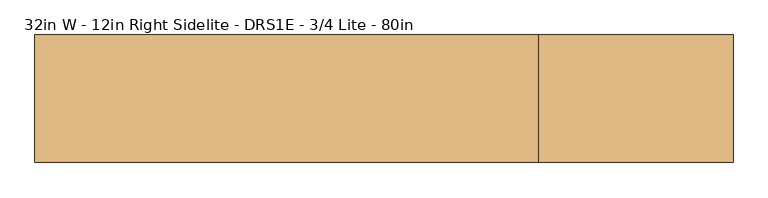
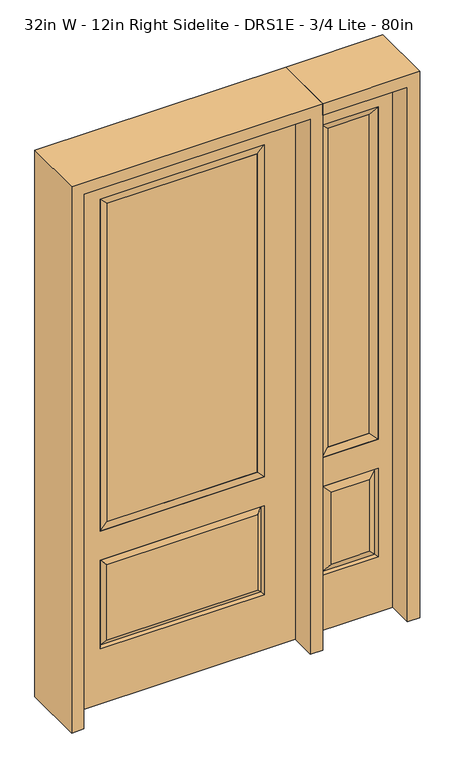
"""IFC4 building model written with IfcOpenShell, lengths in millimetres: door geometry, 32in W - 12in Right Sidelite - DRS1E - 3/4 Lite - 80in."""

from ifc_helpers import new_model, si_unit, frame, origin, place, context, project, spatial, polyline, outline, extrude, faceted_brep, source, transform, mapped, element, save


def door_32in_w_12in_right_sidelite_drs1e_3_4_lite_80in_9de205ea(model_context):
    return source(origin(), model_context, "Body", "SolidModel", [
        faceted_brep([(450.85, -22.225, 0.0), (755.65, -22.225, 0.0), (755.65, -22.225, 2032.0), (450.85, -22.225, 2032.0), (703.58, -22.225, 1919.224), (703.58, -22.225, 657.098), (502.92, -22.225, 657.098), (502.92, -22.225, 1919.224), (703.58, -22.225, 209.55), (502.92, -22.225, 209.55), (502.92, -22.225, 546.1), (703.58, -22.225, 546.1), (534.6351001, -22.225, 241.2651001), (671.8648999, -22.225, 241.2651001), (671.8648999, -22.225, 514.3848999), (534.6351001, -22.225, 514.3848999), (450.85, 22.225, 0.0), (450.85, 22.225, 2032.0), (755.65, 22.225, 2032.0), (755.65, 22.225, 0.0), (703.58, 22.225, 1919.224), (502.92, 22.225, 1919.224), (502.92, 22.225, 657.098), (703.58, 22.225, 657.098), (502.92, 22.225, 209.55), (703.58, 22.225, 209.55), (703.58, 22.225, 546.1), (502.92, 22.225, 546.1), (671.8648999, 22.225, 241.2651001), (534.6351001, 22.225, 241.2651001), (534.6351001, 22.225, 514.3848999), (671.8648999, 22.225, 514.3848999), (696.4711499, 12.7912373, 216.6588501), (510.0288501, 12.7912373, 216.6588501), (510.0288501, 12.7912373, 538.9911499), (696.4711499, 12.7912373, 538.9911499), (510.0288501, -12.7912373, 216.6588501), (696.4711499, -12.7912373, 216.6588501), (510.0288501, -12.7912373, 538.9911499), (696.4711499, -12.7912373, 538.9911499)], [[[0, 1, 2, 3], [4, 5, 6, 7], [8, 9, 10, 11]], [[12, 13, 14, 15]], [[16, 17, 18, 19], [20, 21, 22, 23], [24, 25, 26, 27]], [[28, 29, 30, 31]], [[1, 0, 16, 19]], [[2, 1, 19, 18]], [[3, 2, 18, 17]], [[0, 3, 17, 16]], [[5, 4, 20, 23]], [[6, 5, 23, 22]], [[7, 6, 22, 21]], [[4, 7, 21, 20]], [[32, 33, 29, 28]], [[33, 32, 25, 24]], [[29, 33, 34, 30]], [[33, 24, 27, 34]], [[30, 34, 35, 31]], [[34, 27, 26, 35]], [[32, 28, 31, 35]], [[25, 32, 35, 26]], [[12, 36, 37, 13]], [[37, 36, 9, 8]], [[36, 12, 15, 38]], [[9, 36, 38, 10]], [[38, 15, 14, 39]], [[10, 38, 39, 11]], [[13, 37, 39, 14]], [[37, 8, 11, 39]]]),
        faceted_brep([(502.92, 22.225, 1919.224), (502.92, -22.225, 1919.224), (703.58, -22.225, 1919.224), (703.58, 22.225, 1919.224), (528.32, 12.7, 1893.824), (678.18, 12.7, 1893.824), (528.32, -12.7, 1893.824), (678.18, -12.7, 1893.824), (703.58, -22.225, 657.098), (703.58, 22.225, 657.098), (678.18, 12.7, 682.498), (678.18, -12.7, 682.498), (502.92, -22.225, 657.098), (502.92, 22.225, 657.098), (528.32, 12.7, 682.498), (528.32, -12.7, 682.498)], [[[0, 1, 2, 3]], [[4, 0, 3, 5]], [[6, 4, 5, 7]], [[1, 6, 7, 2]], [[3, 2, 8, 9]], [[5, 3, 9, 10]], [[7, 5, 10, 11]], [[2, 7, 11, 8]], [[9, 8, 12, 13]], [[10, 9, 13, 14]], [[11, 10, 14, 15]], [[8, 11, 15, 12]], [[13, 12, 1, 0]], [[14, 13, 0, 4]], [[15, 14, 4, 6]], [[12, 15, 6, 1]]]),
        extrude(outline(polyline([(678.18, -12.7), (528.32, -12.7), (528.32, 12.7), (678.18, 12.7), (678.18, -12.7)])), frame((0.0, 0.0, 682.498), z_axis=(0.0, 0.0, 1.0), x_axis=(1.0, 0.0, 0.0)), (0.0, 0.0, 1.0), 1211.326),
        faceted_brep([(-288.1661499, -12.7912373, 216.6588501), (288.1661499, -12.7912373, 216.6588501), (270.66875, -22.225, 234.15625), (-270.66875, -22.225, 234.15625), (-295.275, -22.225, 209.55), (295.275, -22.225, 209.55), (-288.1661499, -12.7912373, 538.9911499), (-295.275, -22.225, 546.1), (270.66875, -22.225, 521.49375), (-270.66875, -22.225, 521.49375), (406.4, -22.225, 2032.0), (-406.4, -22.225, 2032.0), (-406.4, -22.225, 0.0), (406.4, -22.225, 0.0), (295.275, -22.225, 546.1), (295.275, -22.225, 1917.7), (295.275, -22.225, 657.098), (-295.275, -22.225, 657.098), (-295.275, -22.225, 1917.7), (288.1661499, -12.7912373, 538.9911499), (-406.4, 22.225, 2032.0), (-406.4, 22.225, 0.0), (406.4, 22.225, 0.0), (406.4, 22.225, 2032.0), (295.275, 22.225, 1917.7), (295.275, 22.225, 657.098), (-295.275, 22.225, 657.098), (-295.275, 22.225, 1917.7), (-295.275, 22.225, 209.55), (295.275, 22.225, 209.55), (295.275, 22.225, 546.1), (-295.275, 22.225, 546.1), (270.66875, 22.225, 234.15625), (-270.66875, 22.225, 234.15625), (-270.66875, 22.225, 521.49375), (270.66875, 22.225, 521.49375), (-288.1661499, 12.7912373, 216.6588501), (288.1661499, 12.7912373, 216.6588501), (288.1661499, 12.7912373, 538.9911499), (-288.1661499, 12.7912373, 538.9911499)], [[[0, 1, 2, 3]], [[1, 0, 4, 5]], [[4, 0, 6, 7]], [[3, 2, 8, 9]], [[10, 11, 12, 13], [5, 4, 7, 14], [15, 16, 17, 18]], [[1, 5, 14, 19]], [[2, 1, 19, 8]], [[0, 3, 9, 6]], [[7, 6, 19, 14]], [[6, 9, 8, 19]], [[12, 11, 20, 21]], [[13, 12, 21, 22]], [[10, 13, 22, 23]], [[16, 15, 24, 25]], [[17, 16, 25, 26]], [[18, 17, 26, 27]], [[23, 22, 21, 20], [28, 29, 30, 31], [24, 27, 26, 25]], [[32, 33, 34, 35]], [[28, 36, 37, 29]], [[29, 37, 38, 30]], [[39, 31, 30, 38]], [[36, 28, 31, 39]], [[37, 36, 33, 32]], [[33, 36, 39, 34]], [[34, 39, 38, 35]], [[37, 32, 35, 38]], [[11, 10, 23, 20]], [[15, 18, 27, 24]]]),
        faceted_brep([(-295.275, -22.225, 1917.7), (-295.275, 22.225, 1917.7), (-295.275, 22.225, 657.098), (-295.275, -22.225, 657.098), (295.275, 22.225, 657.098), (295.275, -22.225, 657.098), (-269.875, 5.08, 682.498), (269.875, 5.08, 682.498), (295.275, 22.225, 1917.7), (295.275, -22.225, 1917.7), (-269.875, -20.32, 682.498), (269.875, -20.32, 682.498), (-269.875, -20.32, 1892.3), (269.875, -20.32, 1892.3), (-269.875, 5.08, 1892.3), (269.875, 5.08, 1892.3)], [[[0, 1, 2, 3]], [[3, 2, 4, 5]], [[2, 6, 7, 4]], [[5, 4, 8, 9]], [[10, 3, 5, 11]], [[12, 0, 3, 10]], [[11, 5, 9, 13]], [[6, 10, 11, 7]], [[14, 12, 10, 6]], [[7, 11, 13, 15]], [[1, 14, 6, 2]], [[4, 7, 15, 8]], [[9, 8, 1, 0]], [[13, 9, 0, 12]], [[15, 13, 12, 14]], [[8, 15, 14, 1]]]),
        extrude(outline(polyline([(269.875, -20.32), (-269.875, -20.32), (-269.875, 5.08), (269.875, 5.08), (269.875, -20.32)])), frame((0.0, 0.0, 682.498), z_axis=(0.0, 0.0, 1.0), x_axis=(1.0, 0.0, 0.0)), (0.0, 0.0, 1.0), 1209.802),
        extrude(outline(polyline([(2076.45, -450.85), (0.0, -450.85), (0.0, -406.4), (2032.0, -406.4), (2032.0, 406.4), (0.0, 406.4), (0.0, 450.85), (2076.45, 450.85), (2076.45, -450.85)])), frame((0.0, -114.3, 0.0), z_axis=(0.0, 1.0, 0.0), x_axis=(0.0, 0.0, 1.0)), (0.0, 0.0, 1.0), 228.6),
        extrude(outline(polyline([(0.0, 755.65), (0.0, 800.1), (2076.45, 800.1), (2076.45, 450.85), (2032.0, 450.85), (2032.0, 755.65), (0.0, 755.65)])), frame((0.0, -114.3, 0.0), z_axis=(0.0, 1.0, 0.0), x_axis=(0.0, 0.0, 1.0)), (0.0, 0.0, 1.0), 228.6),
    ])


if __name__ == "__main__":
    model = new_model("IFC4")
    model_context = context("Model", 3, world=origin())
    ifc_project = project(units=[si_unit("LENGTHUNIT", "METRE", prefix="MILLI")], contexts=[model_context])
    site = spatial("IfcSite", under=ifc_project)
    building = spatial("IfcBuilding", under=site)
    placement = place(None, origin())
    door_32in_w_12in_right_sidelite_drs1e_3_4_lite_80in_shape = door_32in_w_12in_right_sidelite_drs1e_3_4_lite_80in_9de205ea(model_context)
    element("IfcDoor", 1, ObjectType="32in W - 12in Right Sidelite - DRS1E - 3/4 Lite - 80in", at=placement, inside=building, context=model_context, shape_type="MappedRepresentation", body=[
        mapped(door_32in_w_12in_right_sidelite_drs1e_3_4_lite_80in_shape, transform((0.0, 0.0, 0.0), x_axis=(1.0, 0.0, 0.0), y_axis=(0.0, 1.0, 0.0), z_axis=(0.0, 0.0, 1.0))),
    ])
    save(model, "model.ifc")
